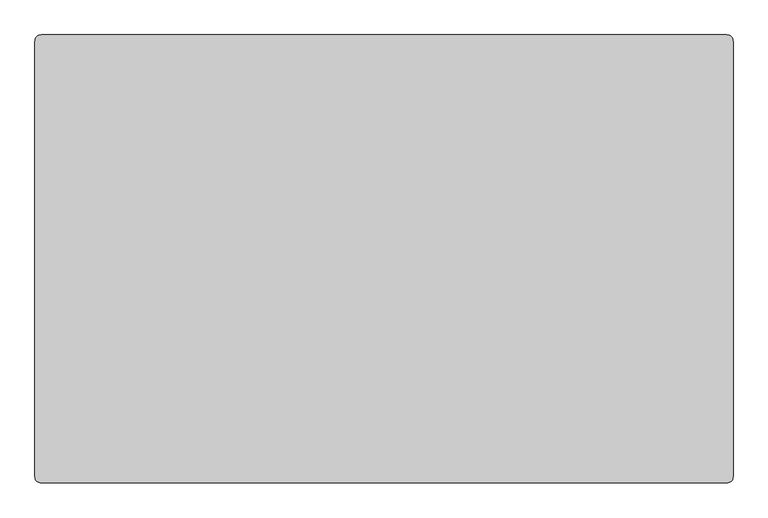
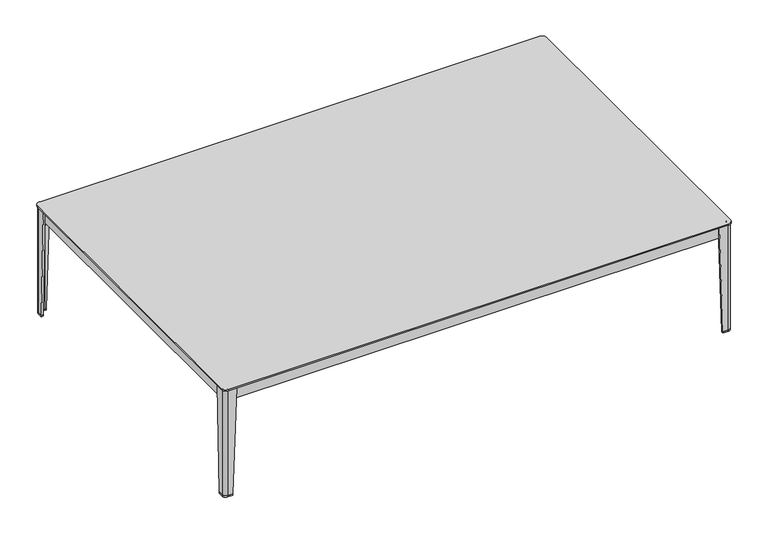
"""IFC4 building model written with IfcOpenShell, lengths in millimetres: furniture geometry."""

from ifc_helpers import new_model, si_unit, point, frame, frame_2d, origin, place, context, project, spatial, polyline, circle_curve, trimmed, segment, composite_curve, outline, extrude, source, transform, mapped, element, save
from ifc_brep_helpers import plane_surface, cylinder_surface, revolved_surface, advanced_brep


def furniture_3eab7202(model_context):
    return source(origin(), model_context, "Body", "SolidModel", [
        advanced_brep(
        [(530.8247115, 123.9800099, 276.4600147), (536.824712, 123.9800099, 276.4600147), (536.824712, 133.0299165, 276.4600147), (519.8747824, 149.9799488, 276.4600147), (510.8247127, 149.9800036, 276.4600147), (510.8247127, 143.9799519, 276.4600147), (520.2181096, 143.9799519, 276.4600147), (530.8247115, 133.3734046, 276.4600147), (530.8247115, 131.8134707, 261.4600037), (530.8247115, 133.3734046, 261.4600037), (520.2181096, 143.9799519, 261.4600037), (518.6582257, 143.9799519, 261.4600037), (518.6582257, 149.9799561, 261.4600037), (519.8747824, 149.9799488, 261.4600037), (536.824712, 133.0299165, 261.4600037), (536.824712, 131.8134707, 261.4600037)],
        [
            (0, 1),
            (1, 2),
            (2, 3, circle_curve(frame((519.8746797, 133.0299165, 276.4600147), z_axis=(0.0, 0.0, 1.0), x_axis=(0.0, 1.0, 0.0)), 16.9500323)),
            (3, 4),
            (4, 5),
            (5, 6),
            (6, 7),
            (7, 0),
            (8, 9),
            (9, 10),
            (10, 11),
            (11, 12),
            (12, 13),
            (13, 14, circle_curve(frame((519.8746797, 133.0299165, 261.4600037), z_axis=(0.0, 0.0, -1.0), x_axis=(0.0, 1.0, 0.0)), 16.9500323)),
            (14, 15),
            (15, 8),
            (15, 1),
            (0, 8),
            (14, 2),
            (13, 3),
            (12, 4),
            (11, 5),
            (10, 6),
            (9, 7),
        ],
        [
            plane_surface(frame((524.6301455, 137.7853996, 276.4600147), z_axis=(0.0, 0.0, 1.0), x_axis=(1.0, 0.0, 0.0))),
            plane_surface(frame((526.5885238, 139.7437589, 261.4600037), z_axis=(0.0, 0.0, -1.0), x_axis=(1.0, 0.0, 0.0))),
            plane_surface(frame((533.8247117, 131.8134707, 261.4600037), z_axis=(0.0, -0.886406217301786, -0.4629082176077014), x_axis=(1.0, 0.0, 0.0))),
            plane_surface(frame((536.824712, 132.4216936, 261.4600037), z_axis=(1.0, 0.0, 0.0), x_axis=(0.0, 1.0, 0.0))),
            cylinder_surface(frame((519.8746797, 133.0299165, 261.4600037), z_axis=(0.0, 0.0, 1.0), x_axis=(0.0, 1.0, 0.0)), 16.9500323),
            plane_surface(frame((519.2665041, 149.9799525, 261.4600037), z_axis=(6.055831591981824e-06, 0.9999999999816636, 0.0), x_axis=(-0.9999999999816636, 6.055831591981824e-06, 0.0))),
            plane_surface(frame((518.6582257, 146.979954, 261.4600037), z_axis=(-0.8864049508100568, 0.0, -0.46291064275885996), x_axis=(0.0, -1.0, 0.0))),
            plane_surface(frame((519.4381677, 143.9799519, 261.4600037), z_axis=(0.0, -1.0, 0.0), x_axis=(1.0, 0.0, 0.0))),
            plane_surface(frame((525.5214105, 138.6766783, 261.4600037), z_axis=(-0.7071049644303243, -0.707108597938103, 0.0), x_axis=(0.707108597938103, -0.7071049644303243, 0.0))),
            plane_surface(frame((530.8247115, 132.5934377, 261.4600037), z_axis=(-1.0, 0.0, 0.0), x_axis=(0.0, -1.0, 0.0))),
        ],
        [
            (0, [[1, 2, 3, 4, 5, 6, 7, 8]]),
            (1, [[9, 10, 11, 12, 13, 14, 15, 16]]),
            (2, [[-16, 17, -1, 18]]),
            (3, [[-15, 19, -2, -17]]),
            (4, [[-14, 20, -3, -19]]),
            (5, [[-13, 21, -4, -20]]),
            (6, [[-12, 22, -5, -21]]),
            (7, [[-11, 23, -6, -22]]),
            (8, [[-10, 24, -7, -23]]),
            (9, [[-9, -18, -8, -24]]),
        ],
    ),
        advanced_brep(
        [(-841.7152878, 123.9800099, 276.4600147), (-841.7152878, 133.3734046, 276.4600147), (-831.1086859, 143.9799519, 276.4600147), (-821.715289, 143.9799519, 276.4600147), (-821.715289, 149.9800036, 276.4600147), (-830.7653587, 149.9799488, 276.4600147), (-847.7152883, 133.0299165, 276.4600147), (-847.7152883, 123.9800099, 276.4600147), (-841.7152878, 131.8134707, 261.4600037), (-847.7152883, 131.8134707, 261.4600037), (-847.7152883, 133.0299165, 261.4600037), (-830.7653587, 149.9799488, 261.4600037), (-829.548802, 149.9799561, 261.4600037), (-829.548802, 143.9799519, 261.4600037), (-831.1086859, 143.9799519, 261.4600037), (-841.7152878, 133.3734046, 261.4600037)],
        [
            (0, 1),
            (1, 2),
            (2, 3),
            (3, 4),
            (4, 5),
            (5, 6, circle_curve(frame((-830.765256, 133.0299165, 276.4600147), z_axis=(0.0, 0.0, 1.0), x_axis=(-0.9999999999816634, -6.055831289175952e-06, 0.0)), 16.9500323)),
            (6, 7),
            (7, 0),
            (8, 9),
            (9, 10),
            (10, 11, circle_curve(frame((-830.765256, 133.0299165, 261.4600037), z_axis=(0.0, 0.0, -1.0), x_axis=(-0.9999999999816634, -6.055831289175952e-06, 0.0)), 16.9500323)),
            (11, 12),
            (12, 13),
            (13, 14),
            (14, 15),
            (15, 8),
            (8, 0),
            (7, 9),
            (6, 10),
            (5, 11),
            (4, 12),
            (3, 13),
            (2, 14),
            (1, 15),
        ],
        [
            plane_surface(frame((-835.5207218, 137.7853996, 276.4600147), z_axis=(0.0, 0.0, 1.0), x_axis=(0.0, 1.0, 0.0))),
            plane_surface(frame((-837.4791001, 139.7437589, 261.4600037), z_axis=(0.0, 0.0, -1.0), x_axis=(0.0, 1.0, 0.0))),
            plane_surface(frame((-844.715288, 131.8134707, 261.4600037), z_axis=(0.0, -0.8864062173018287, -0.4629082176076197), x_axis=(1.0, 0.0, 0.0))),
            plane_surface(frame((-847.7152883, 132.4216936, 261.4600037), z_axis=(-1.0, 0.0, 0.0), x_axis=(0.0, -1.0, 0.0))),
            cylinder_surface(frame((-830.765256, 133.0299165, 261.4600037), z_axis=(0.0, 0.0, 1.0), x_axis=(-0.9999999999816634, -6.055831289175952e-06, 0.0)), 16.9500323),
            plane_surface(frame((-830.1570804, 149.9799525, 261.4600037), z_axis=(-6.055831517198895e-06, 0.9999999999816636, 0.0), x_axis=(-0.9999999999816636, -6.055831517198895e-06, 0.0))),
            plane_surface(frame((-829.548802, 146.979954, 261.4600037), z_axis=(0.8864049508100535, 0.0, -0.46291064275886623), x_axis=(0.0, 1.0, 0.0))),
            plane_surface(frame((-830.328744, 143.9799519, 261.4600037), z_axis=(0.0, -1.0, 0.0), x_axis=(1.0, 0.0, 0.0))),
            plane_surface(frame((-836.4119868, 138.6766783, 261.4600037), z_axis=(0.7071049644302487, -0.7071085979381785, 0.0), x_axis=(0.7071085979381785, 0.7071049644302487, 0.0))),
            plane_surface(frame((-841.7152878, 132.5934377, 261.4600037), z_axis=(1.0, 0.0, 0.0), x_axis=(0.0, 1.0, 0.0))),
        ],
        [
            (0, [[1, 2, 3, 4, 5, 6, 7, 8]]),
            (1, [[9, 10, 11, 12, 13, 14, 15, 16]]),
            (2, [[-9, 17, -8, 18]]),
            (3, [[-10, -18, -7, 19]]),
            (4, [[-11, -19, -6, 20]]),
            (5, [[-12, -20, -5, 21]]),
            (6, [[-13, -21, -4, 22]]),
            (7, [[-14, -22, -3, 23]]),
            (8, [[-15, -23, -2, 24]]),
            (9, [[-16, -24, -1, -17]]),
        ],
    ),
        advanced_brep(
        [(530.8247115, -708.1800099, 276.4600147), (530.8247115, -717.5734046, 276.4600147), (520.2181096, -728.1799519, 276.4600147), (510.8247127, -728.1799519, 276.4600147), (510.8247127, -734.1800036, 276.4600147), (519.8747824, -734.1799488, 276.4600147), (536.824712, -717.2299165, 276.4600147), (536.824712, -708.1800099, 276.4600147), (530.8247115, -716.0134707, 261.4600037), (536.824712, -716.0134707, 261.4600037), (536.824712, -717.2299165, 261.4600037), (519.8747824, -734.1799488, 261.4600037), (518.6582257, -734.1799561, 261.4600037), (518.6582257, -728.1799519, 261.4600037), (520.2181096, -728.1799519, 261.4600037), (530.8247115, -717.5734046, 261.4600037)],
        [
            (0, 1),
            (1, 2),
            (2, 3),
            (3, 4),
            (4, 5),
            (5, 6, circle_curve(frame((519.8746797, -717.2299165, 276.4600147), z_axis=(0.0, 0.0, 1.0), x_axis=(0.9999999999816634, 6.055831301732914e-06, 0.0)), 16.9500323)),
            (6, 7),
            (7, 0),
            (8, 9),
            (9, 10),
            (10, 11, circle_curve(frame((519.8746797, -717.2299165, 261.4600037), z_axis=(0.0, 0.0, -1.0), x_axis=(0.9999999999816634, 6.055831301732914e-06, 0.0)), 16.9500323)),
            (11, 12),
            (12, 13),
            (13, 14),
            (14, 15),
            (15, 8),
            (8, 0),
            (7, 9),
            (6, 10),
            (5, 11),
            (4, 12),
            (3, 13),
            (2, 14),
            (1, 15),
        ],
        [
            plane_surface(frame((524.6301455, -721.9853996, 276.4600147), z_axis=(0.0, 0.0, 1.0), x_axis=(0.0, -1.0, 0.0))),
            plane_surface(frame((526.5885238, -723.9437589, 261.4600037), z_axis=(0.0, 0.0, -1.0), x_axis=(0.0, -1.0, 0.0))),
            plane_surface(frame((533.8247117, -716.0134707, 261.4600037), z_axis=(0.0, 0.8864062173018004, -0.4629082176076739), x_axis=(-1.0, 0.0, 0.0))),
            plane_surface(frame((536.824712, -716.6216936, 261.4600037), z_axis=(1.0, 0.0, 0.0), x_axis=(0.0, 1.0, 0.0))),
            cylinder_surface(frame((519.8746797, -717.2299165, 261.4600037), z_axis=(0.0, 0.0, 1.0), x_axis=(0.9999999999816634, 6.055831301732914e-06, 0.0)), 16.9500323),
            plane_surface(frame((519.2665041, -734.1799525, 261.4600037), z_axis=(6.055831547112211e-06, -0.9999999999816636, 0.0), x_axis=(0.9999999999816636, 6.055831547112211e-06, 0.0))),
            plane_surface(frame((518.6582257, -731.179954, 261.4600037), z_axis=(-0.8864049508100568, 0.0, -0.46291064275885996), x_axis=(0.0, -1.0, 0.0))),
            plane_surface(frame((519.4381677, -728.1799519, 261.4600037), z_axis=(0.0, 1.0, 0.0), x_axis=(-1.0, 0.0, 0.0))),
            plane_surface(frame((525.5214105, -722.8766783, 261.4600037), z_axis=(-0.7071049644302612, 0.7071085979381662, 0.0), x_axis=(-0.7071085979381662, -0.7071049644302612, 0.0))),
            plane_surface(frame((530.8247115, -716.7934377, 261.4600037), z_axis=(-1.0, 0.0, 0.0), x_axis=(0.0, -1.0, 0.0))),
        ],
        [
            (0, [[1, 2, 3, 4, 5, 6, 7, 8]]),
            (1, [[9, 10, 11, 12, 13, 14, 15, 16]]),
            (2, [[-9, 17, -8, 18]]),
            (3, [[-10, -18, -7, 19]]),
            (4, [[-11, -19, -6, 20]]),
            (5, [[-12, -20, -5, 21]]),
            (6, [[-13, -21, -4, 22]]),
            (7, [[-14, -22, -3, 23]]),
            (8, [[-15, -23, -2, 24]]),
            (9, [[-16, -24, -1, -17]]),
        ],
    ),
        advanced_brep(
        [(-841.7152878, -708.1800099, 276.4600147), (-847.7152883, -708.1800099, 276.4600147), (-847.7152883, -717.2299165, 276.4600147), (-830.7653587, -734.1799488, 276.4600147), (-821.715289, -734.1800036, 276.4600147), (-821.715289, -728.1799519, 276.4600147), (-831.1086859, -728.1799519, 276.4600147), (-841.7152878, -717.5734046, 276.4600147), (-841.7152878, -716.0134707, 261.4600037), (-841.7152878, -717.5734046, 261.4600037), (-831.1086859, -728.1799519, 261.4600037), (-829.548802, -728.1799519, 261.4600037), (-829.548802, -734.1799561, 261.4600037), (-830.7653587, -734.1799488, 261.4600037), (-847.7152883, -717.2299165, 261.4600037), (-847.7152883, -716.0134707, 261.4600037)],
        [
            (0, 1),
            (1, 2),
            (2, 3, circle_curve(frame((-830.765256, -717.2299165, 276.4600147), z_axis=(0.0, 0.0, 1.0), x_axis=(0.0, -1.0, 0.0)), 16.9500323)),
            (3, 4),
            (4, 5),
            (5, 6),
            (6, 7),
            (7, 0),
            (8, 9),
            (9, 10),
            (10, 11),
            (11, 12),
            (12, 13),
            (13, 14, circle_curve(frame((-830.765256, -717.2299165, 261.4600037), z_axis=(0.0, 0.0, -1.0), x_axis=(0.0, -1.0, 0.0)), 16.9500323)),
            (14, 15),
            (15, 8),
            (15, 1),
            (0, 8),
            (14, 2),
            (13, 3),
            (12, 4),
            (11, 5),
            (10, 6),
            (9, 7),
        ],
        [
            plane_surface(frame((-835.5207218, -721.9853996, 276.4600147), z_axis=(0.0, 0.0, 1.0), x_axis=(-1.0, 0.0, 0.0))),
            plane_surface(frame((-837.4791001, -723.9437589, 261.4600037), z_axis=(0.0, 0.0, -1.0), x_axis=(-1.0, 0.0, 0.0))),
            plane_surface(frame((-844.715288, -716.0134707, 261.4600037), z_axis=(0.0, 0.8864062173018398, -0.4629082176075985), x_axis=(-1.0, 0.0, 0.0))),
            plane_surface(frame((-847.7152883, -716.6216936, 261.4600037), z_axis=(-1.0, 0.0, 0.0), x_axis=(0.0, -1.0, 0.0))),
            cylinder_surface(frame((-830.765256, -717.2299165, 261.4600037), z_axis=(0.0, 0.0, 1.0), x_axis=(0.0, -1.0, 0.0)), 16.9500323),
            plane_surface(frame((-830.1570804, -734.1799525, 261.4600037), z_axis=(-6.055831547112392e-06, -0.9999999999816634, 0.0), x_axis=(0.9999999999816634, -6.055831547112392e-06, 0.0))),
            plane_surface(frame((-829.548802, -731.179954, 261.4600037), z_axis=(0.8864049508100535, 0.0, -0.46291064275886623), x_axis=(0.0, 1.0, 0.0))),
            plane_surface(frame((-830.328744, -728.1799519, 261.4600037), z_axis=(0.0, 1.0, 0.0), x_axis=(-1.0, 0.0, 0.0))),
            plane_surface(frame((-836.4119868, -722.8766783, 261.4600037), z_axis=(0.7071049644302725, 0.7071085979381548, 0.0), x_axis=(-0.7071085979381548, 0.7071049644302725, 0.0))),
            plane_surface(frame((-841.7152878, -716.7934377, 261.4600037), z_axis=(1.0, 0.0, 0.0), x_axis=(0.0, 1.0, 0.0))),
        ],
        [
            (0, [[1, 2, 3, 4, 5, 6, 7, 8]]),
            (1, [[9, 10, 11, 12, 13, 14, 15, 16]]),
            (2, [[-16, 17, -1, 18]]),
            (3, [[-15, 19, -2, -17]]),
            (4, [[-14, 20, -3, -19]]),
            (5, [[-13, 21, -4, -20]]),
            (6, [[-12, 22, -5, -21]]),
            (7, [[-11, 23, -6, -22]]),
            (8, [[-10, 24, -7, -23]]),
            (9, [[-9, -18, -8, -24]]),
        ],
    ),
        extrude(outline(polyline([(-839.2152882, 131.4800141), (-829.2152877, 141.4800146), (518.3247146, 141.4800146), (528.3246856, 131.4800141), (528.3246856, -715.6799882), (518.3247146, -725.6799592), (-829.2152877, -725.6799592), (-839.2152882, -715.6799882), (-839.2152882, 131.4800141)])), frame((0.0, 0.0, 276.4600147), z_axis=(0.0, 0.0, 1.0), x_axis=(1.0, 0.0, 0.0)), (0.0, 0.0, 1.0), 19.9999965),
        extrude(outline(polyline([(-847.7152883, 123.9800154), (-841.7152878, 123.9800154), (-841.7152878, 133.3734123), (-831.1086859, 143.952954), (-821.715289, 143.952954), (-821.715289, 149.9460764), (510.8247363, 149.9380068), (510.8247363, 143.952954), (520.218131, 143.952954), (530.8246783, 133.3734123), (530.8246783, 123.9800154), (536.824712, 123.9800154), (536.824712, -708.1800099), (530.8246783, -708.1800099), (530.8246783, -717.5734046), (520.218131, -728.1498616), (510.8247363, -728.1498616), (510.8247363, -734.138007), (-821.715289, -734.1460766), (-821.715289, -728.1528919), (-831.1086859, -728.1528919), (-841.7152878, -717.5734046), (-841.7152878, -708.1800099), (-847.7152883, -708.1800099), (-847.7152883, 123.9800154)]), holes=[polyline([(-829.2152877, -725.6498689), (518.3247146, -725.6498689), (528.3246856, -715.6799882), (528.3246856, 131.4800141), (518.3247146, 141.4529544), (-829.2152877, 141.4529544), (-839.2152882, 131.4800141), (-839.2152882, -715.6799882), (-829.2152877, -725.6498689)])]), frame((0.0, 0.0, 276.4600147), z_axis=(0.0, 0.0, 1.0), x_axis=(1.0, 0.0, 0.0)), (0.0, 0.0, 1.0), 34.5000017),
        extrude(outline(composite_curve([segment(polyline([(-828.7152887, 154.9798559), (-828.7152887, 149.9799612), (-830.7653587, 149.9799488)]), True, "CONTINUOUS"), segment(trimmed(circle_curve(frame_2d((-830.765256, 133.0299165)), 16.9500323), [point((-830.7653587, 149.9799488))], [point((-847.7152883, 133.0299165))], True, "CARTESIAN"), True, "CONTINUOUS"), segment(polyline([(-847.7152883, 133.0299165), (-847.7152883, 130.9800187), (-852.7150423, 130.9800187), (-852.7150423, 145.3750328)]), True, "CONTINUOUS"), segment(trimmed(circle_curve(frame_2d((-843.1102193, 145.3750328)), 9.604823), [point((-852.7150423, 145.3750328))], [point((-843.1102193, 154.9798559))], False, "CARTESIAN"), True, "CONTINUOUS"), segment(polyline([(-843.1102193, 154.9798559), (-828.7152887, 154.9798559)]), True, "CONTINUOUS")], self_intersect=False)), frame((0.0, 0.0, 0.5000058), z_axis=(0.0, 0.0, 1.0), x_axis=(1.0, 0.0, 0.0)), (0.0, 0.0, 1.0), 4.0),
        advanced_brep(
        [(-843.1102193, 154.9798559, 311.4600223), (-852.7150423, 145.3750328, 311.4600223), (-852.7150423, 120.979975, 311.4600223), (-847.7152883, 120.979975, 311.4600223), (-847.7152883, 133.0299165, 311.4600223), (-830.7653587, 149.9799488, 311.4600223), (-818.7152881, 149.9800217, 311.4600223), (-818.7152881, 154.9798559, 311.4600223), (-843.1102193, 154.9798559, 4.5000058), (-828.7152887, 154.9798559, 4.5000058), (-828.7152887, 149.9799612, 4.5000058), (-830.7653587, 149.9799488, 4.5000058), (-847.7152883, 133.0299165, 4.5000058), (-847.7152883, 130.9800187, 4.5000058), (-852.7150423, 130.9800187, 4.5000058), (-852.7150423, 145.3750328, 4.5000058)],
        [
            (0, 1, circle_curve(frame((-843.1102193, 145.3750328, 311.4600223), z_axis=(0.0, 0.0, 1.0), x_axis=(-1.0, 0.0, 0.0)), 9.604823)),
            (1, 2),
            (2, 3),
            (3, 4),
            (4, 5, circle_curve(frame((-830.765256, 133.0299165, 311.4600223), z_axis=(0.0, 0.0, -1.0), x_axis=(0.0, 1.0, 0.0)), 16.9500323)),
            (5, 6),
            (6, 7),
            (7, 0),
            (8, 9),
            (9, 10),
            (10, 11),
            (11, 12, circle_curve(frame((-830.765256, 133.0299165, 4.5000058), z_axis=(0.0, 0.0, 1.0), x_axis=(0.0, 1.0, 0.0)), 16.9500323)),
            (12, 13),
            (13, 14),
            (14, 15),
            (15, 8, circle_curve(frame((-843.1102193, 145.3750328, 4.5000058), z_axis=(0.0, 0.0, -1.0), x_axis=(-1.0, 0.0, 0.0)), 9.604823)),
            (10, 6),
            (5, 11),
            (14, 2),
            (1, 15),
            (0, 8),
            (7, 9),
            (13, 3),
            (4, 12),
        ],
        [
            plane_surface(frame((-839.0208519, 141.2855727, 311.4600223), z_axis=(0.0, 0.0, 1.0), x_axis=(0.0, 1.0, 0.0))),
            plane_surface(frame((-841.5208521, 143.785576, 4.5000058), z_axis=(0.0, 0.0, -1.0), x_axis=(0.0, 1.0, 0.0))),
            plane_surface(frame((-829.7403237, 149.979955, 4.5000058), z_axis=(6.055830894691673e-06, -0.9999999999816634, 0.0), x_axis=(0.9999999999816634, 6.055830894691673e-06, 0.0))),
            plane_surface(frame((-852.7150423, 138.1775258, 4.5000058), z_axis=(-1.0, 0.0, 0.0), x_axis=(0.0, -1.0, 0.0))),
            cylinder_surface(frame((-843.1102193, 145.3750328, 4.5000058), z_axis=(0.0, 0.0, 1.0), x_axis=(-1.0, 0.0, 0.0)), 9.604823),
            plane_surface(frame((-835.912754, 154.9798559, 4.5000058), z_axis=(0.0, 1.0, 0.0), x_axis=(-1.0, 0.0, 0.0))),
            plane_surface(frame((-828.7152887, 152.4799085, 4.5000058), z_axis=(0.9994697741300405, 0.0, -0.03256026106231376), x_axis=(0.0, 1.0, 0.0))),
            plane_surface(frame((-850.2151653, 130.9800187, 4.5000058), z_axis=(0.0, -0.9994697695580651, -0.032560401403364754), x_axis=(1.0, 0.0, 0.0))),
            revolved_surface(polyline([(-830.765256, 149.97994880000002, 311.4600223), (-830.765256, 149.97994880000002, 4.5000058)]), (-830.765256, 133.0299165, 4.5000058), (0.0, 0.0, 1.0)),
            plane_surface(frame((-847.7152883, 132.0049676, 4.5000058), z_axis=(1.0, 0.0, 0.0), x_axis=(0.0, 1.0, 0.0))),
        ],
        [
            (0, [[1, 2, 3, 4, 5, 6, 7, 8]]),
            (1, [[9, 10, 11, 12, 13, 14, 15, 16]]),
            (2, [[-11, 17, -6, 18]]),
            (3, [[-15, 19, -2, 20]]),
            (4, [[-16, -20, -1, 21]]),
            (5, [[-9, -21, -8, 22]]),
            (6, [[-10, -22, -7, -17]]),
            (7, [[-14, 23, -3, -19]]),
            (8, [[-12, -18, -5, 24]]),
            (9, [[-13, -24, -4, -23]]),
        ],
    ),
        extrude(outline(composite_curve([segment(polyline([(517.8247124, 154.9798559), (532.219643, 154.9798559)]), True, "CONTINUOUS"), segment(trimmed(circle_curve(frame_2d((532.219643, 145.3750328)), 9.604823), [point((532.219643, 154.9798559))], [point((541.824466, 145.3750328))], False, "CARTESIAN"), True, "CONTINUOUS"), segment(polyline([(541.824466, 145.3750328), (541.824466, 130.9800187), (536.824712, 130.9800187), (536.824712, 133.0299165)]), True, "CONTINUOUS"), segment(trimmed(circle_curve(frame_2d((519.8746797, 133.0299165)), 16.9500323), [point((536.824712, 133.0299165))], [point((519.8747824, 149.9799488))], True, "CARTESIAN"), True, "CONTINUOUS"), segment(polyline([(519.8747824, 149.9799488), (517.8247124, 149.9799612), (517.8247124, 154.9798559)]), True, "CONTINUOUS")], self_intersect=False)), frame((0.0, 0.0, 0.5000058), z_axis=(0.0, 0.0, 1.0), x_axis=(1.0, 0.0, 0.0)), (0.0, 0.0, 1.0), 4.0),
        advanced_brep(
        [(532.219643, 154.9798559, 311.4600223), (507.8247118, 154.9798559, 311.4600223), (507.8247118, 149.9800217, 311.4600223), (519.8747824, 149.9799488, 311.4600223), (536.824712, 133.0299165, 311.4600223), (536.824712, 120.979975, 311.4600223), (541.824466, 120.979975, 311.4600223), (541.824466, 145.3750328, 311.4600223), (532.219643, 154.9798559, 4.5000058), (541.824466, 145.3750328, 4.5000058), (541.824466, 130.9800187, 4.5000058), (536.824712, 130.9800187, 4.5000058), (536.824712, 133.0299165, 4.5000058), (519.8747824, 149.9799488, 4.5000058), (517.8247124, 149.9799612, 4.5000058), (517.8247124, 154.9798559, 4.5000058)],
        [
            (0, 1),
            (1, 2),
            (2, 3),
            (3, 4, circle_curve(frame((519.8746797, 133.0299165, 311.4600223), z_axis=(0.0, 0.0, -1.0), x_axis=(0.9999999999816634, -6.055831369081084e-06, 0.0)), 16.9500323)),
            (4, 5),
            (5, 6),
            (6, 7),
            (7, 0, circle_curve(frame((532.219643, 145.3750328, 311.4600223), z_axis=(0.0, 0.0, 1.0), x_axis=(0.0, 1.0, 0.0)), 9.604823)),
            (8, 9, circle_curve(frame((532.219643, 145.3750328, 4.5000058), z_axis=(0.0, 0.0, -1.0), x_axis=(0.0, 1.0, 0.0)), 9.604823)),
            (9, 10),
            (10, 11),
            (11, 12),
            (12, 13, circle_curve(frame((519.8746797, 133.0299165, 4.5000058), z_axis=(0.0, 0.0, 1.0), x_axis=(0.9999999999816634, -6.055831369081084e-06, 0.0)), 16.9500323)),
            (13, 14),
            (14, 15),
            (15, 8),
            (13, 3),
            (2, 14),
            (9, 7),
            (6, 10),
            (8, 0),
            (15, 1),
            (5, 11),
            (12, 4),
        ],
        [
            plane_surface(frame((528.1302756, 141.2855727, 311.4600223), z_axis=(0.0, 0.0, 1.0), x_axis=(1.0, 0.0, 0.0))),
            plane_surface(frame((530.6302758, 143.785576, 4.5000058), z_axis=(0.0, 0.0, -1.0), x_axis=(1.0, 0.0, 0.0))),
            plane_surface(frame((518.8497474, 149.979955, 4.5000058), z_axis=(-6.055832107868581e-06, -0.9999999999816634, 0.0), x_axis=(0.9999999999816634, -6.055832107868581e-06, 0.0))),
            plane_surface(frame((541.824466, 138.1775258, 4.5000058), z_axis=(1.0, 0.0, 0.0), x_axis=(0.0, 1.0, 0.0))),
            cylinder_surface(frame((532.219643, 145.3750328, 4.5000058), z_axis=(0.0, 0.0, 1.0), x_axis=(0.0, 1.0, 0.0)), 9.604823),
            plane_surface(frame((525.0221777, 154.9798559, 4.5000058), z_axis=(0.0, 1.0, 0.0), x_axis=(-1.0, 0.0, 0.0))),
            plane_surface(frame((517.8247124, 152.4799085, 4.5000058), z_axis=(-0.9994697741300408, 0.0, -0.03256026106230449), x_axis=(0.0, -1.0, 0.0))),
            plane_surface(frame((539.324589, 130.9800187, 4.5000058), z_axis=(0.0, -0.9994697695580574, -0.03256040140360071), x_axis=(1.0, 0.0, 0.0))),
            revolved_surface(polyline([(536.8247119996892, 133.0298138534627, 311.4600223), (536.8247119996892, 133.0298138534627, 4.5000058)]), (519.8746797, 133.0299165, 4.5000058), (0.0, 0.0, 1.0)),
            plane_surface(frame((536.824712, 132.0049676, 4.5000058), z_axis=(-1.0, 0.0, 0.0), x_axis=(0.0, -1.0, 0.0))),
        ],
        [
            (0, [[1, 2, 3, 4, 5, 6, 7, 8]]),
            (1, [[9, 10, 11, 12, 13, 14, 15, 16]]),
            (2, [[-14, 17, -3, 18]]),
            (3, [[-10, 19, -7, 20]]),
            (4, [[-9, 21, -8, -19]]),
            (5, [[-16, 22, -1, -21]]),
            (6, [[-15, -18, -2, -22]]),
            (7, [[-11, -20, -6, 23]]),
            (8, [[-13, 24, -4, -17]]),
            (9, [[-12, -23, -5, -24]]),
        ],
    ),
        extrude(outline(composite_curve([segment(polyline([(517.8247124, -739.1798559), (517.8247124, -734.1799612), (519.8747824, -734.1799488)]), True, "CONTINUOUS"), segment(trimmed(circle_curve(frame_2d((519.8746797, -717.2299165)), 16.9500323), [point((519.8747824, -734.1799488))], [point((536.824712, -717.2299165))], True, "CARTESIAN"), True, "CONTINUOUS"), segment(polyline([(536.824712, -717.2299165), (536.824712, -715.1800187), (541.824466, -715.1800187), (541.824466, -729.5750328)]), True, "CONTINUOUS"), segment(trimmed(circle_curve(frame_2d((532.219643, -729.5750328)), 9.604823), [point((541.824466, -729.5750328))], [point((532.219643, -739.1798559))], False, "CARTESIAN"), True, "CONTINUOUS"), segment(polyline([(532.219643, -739.1798559), (517.8247124, -739.1798559)]), True, "CONTINUOUS")], self_intersect=False)), frame((0.0, 0.0, 0.5000058), z_axis=(0.0, 0.0, 1.0), x_axis=(1.0, 0.0, 0.0)), (0.0, 0.0, 1.0), 4.0),
        advanced_brep(
        [(532.219643, -739.1798559, 311.4600223), (541.824466, -729.5750328, 311.4600223), (541.824466, -705.179975, 311.4600223), (536.824712, -705.179975, 311.4600223), (536.824712, -717.2299165, 311.4600223), (519.8747824, -734.1799488, 311.4600223), (507.8247118, -734.1800217, 311.4600223), (507.8247118, -739.1798559, 311.4600223), (532.219643, -739.1798559, 4.5000058), (517.8247124, -739.1798559, 4.5000058), (517.8247124, -734.1799612, 4.5000058), (519.8747824, -734.1799488, 4.5000058), (536.824712, -717.2299165, 4.5000058), (536.824712, -715.1800187, 4.5000058), (541.824466, -715.1800187, 4.5000058), (541.824466, -729.5750328, 4.5000058)],
        [
            (0, 1, circle_curve(frame((532.219643, -729.5750328, 311.4600223), z_axis=(0.0, 0.0, 1.0), x_axis=(1.0, 0.0, 0.0)), 9.604823)),
            (1, 2),
            (2, 3),
            (3, 4),
            (4, 5, circle_curve(frame((519.8746797, -717.2299165, 311.4600223), z_axis=(0.0, 0.0, -1.0), x_axis=(0.0, -1.0, 0.0)), 16.9500323)),
            (5, 6),
            (6, 7),
            (7, 0),
            (8, 9),
            (9, 10),
            (10, 11),
            (11, 12, circle_curve(frame((519.8746797, -717.2299165, 4.5000058), z_axis=(0.0, 0.0, 1.0), x_axis=(0.0, -1.0, 0.0)), 16.9500323)),
            (12, 13),
            (13, 14),
            (14, 15),
            (15, 8, circle_curve(frame((532.219643, -729.5750328, 4.5000058), z_axis=(0.0, 0.0, -1.0), x_axis=(1.0, 0.0, 0.0)), 9.604823)),
            (10, 6),
            (5, 11),
            (14, 2),
            (1, 15),
            (0, 8),
            (7, 9),
            (13, 3),
            (4, 12),
        ],
        [
            plane_surface(frame((528.1302756, -725.4855727, 311.4600223), z_axis=(0.0, 0.0, 1.0), x_axis=(0.0, -1.0, 0.0))),
            plane_surface(frame((530.6302758, -727.985576, 4.5000058), z_axis=(0.0, 0.0, -1.0), x_axis=(0.0, -1.0, 0.0))),
            plane_surface(frame((518.8497474, -734.179955, 4.5000058), z_axis=(-6.055831360894193e-06, 0.9999999999816636, 0.0), x_axis=(-0.9999999999816636, -6.055831360894193e-06, 0.0))),
            plane_surface(frame((541.824466, -722.3775258, 4.5000058), z_axis=(1.0, 0.0, 0.0), x_axis=(0.0, 1.0, 0.0))),
            cylinder_surface(frame((532.219643, -729.5750328, 4.5000058), z_axis=(0.0, 0.0, 1.0), x_axis=(1.0, 0.0, 0.0)), 9.604823),
            plane_surface(frame((525.0221777, -739.1798559, 4.5000058), z_axis=(0.0, -1.0, 0.0), x_axis=(1.0, 0.0, 0.0))),
            plane_surface(frame((517.8247124, -736.6799085, 4.5000058), z_axis=(-0.9994697741300429, 0.0, -0.03256026106223691), x_axis=(0.0, -1.0, 0.0))),
            plane_surface(frame((539.324589, -715.1800187, 4.5000058), z_axis=(0.0, 0.9994697695580571, -0.03256040140361183), x_axis=(-1.0, 0.0, 0.0))),
            revolved_surface(polyline([(519.8746797, -734.1799487999999, 311.4600223), (519.8746797, -734.1799487999999, 4.5000058)]), (519.8746797, -717.2299165, 4.5000058), (0.0, 0.0, 1.0)),
            plane_surface(frame((536.824712, -716.2049676, 4.5000058), z_axis=(-1.0, 0.0, 0.0), x_axis=(0.0, -1.0, 0.0))),
        ],
        [
            (0, [[1, 2, 3, 4, 5, 6, 7, 8]]),
            (1, [[9, 10, 11, 12, 13, 14, 15, 16]]),
            (2, [[-11, 17, -6, 18]]),
            (3, [[-15, 19, -2, 20]]),
            (4, [[-16, -20, -1, 21]]),
            (5, [[-9, -21, -8, 22]]),
            (6, [[-10, -22, -7, -17]]),
            (7, [[-14, 23, -3, -19]]),
            (8, [[-12, -18, -5, 24]]),
            (9, [[-13, -24, -4, -23]]),
        ],
    ),
        extrude(outline(composite_curve([segment(polyline([(-828.7152887, -739.1798559), (-843.1102193, -739.1798559)]), True, "CONTINUOUS"), segment(trimmed(circle_curve(frame_2d((-843.1102193, -729.5750328)), 9.604823), [point((-843.1102193, -739.1798559))], [point((-852.7150423, -729.5750328))], False, "CARTESIAN"), True, "CONTINUOUS"), segment(polyline([(-852.7150423, -729.5750328), (-852.7150423, -715.1800187), (-847.7152883, -715.1800187), (-847.7152883, -717.2299165)]), True, "CONTINUOUS"), segment(trimmed(circle_curve(frame_2d((-830.765256, -717.2299165)), 16.9500323), [point((-847.7152883, -717.2299165))], [point((-830.7653587, -734.1799488))], True, "CARTESIAN"), True, "CONTINUOUS"), segment(polyline([(-830.7653587, -734.1799488), (-828.7152887, -734.1799612), (-828.7152887, -739.1798559)]), True, "CONTINUOUS")], self_intersect=False)), frame((0.0, 0.0, 0.5000058), z_axis=(0.0, 0.0, 1.0), x_axis=(1.0, 0.0, 0.0)), (0.0, 0.0, 1.0), 4.0),
        advanced_brep(
        [(-843.1102193, -739.1798559, 311.4600223), (-818.7152881, -739.1798559, 311.4600223), (-818.7152881, -734.1800217, 311.4600223), (-830.7653587, -734.1799488, 311.4600223), (-847.7152883, -717.2299165, 311.4600223), (-847.7152883, -705.179975, 311.4600223), (-852.7150423, -705.179975, 311.4600223), (-852.7150423, -729.5750328, 311.4600223), (-843.1102193, -739.1798559, 4.5000058), (-852.7150423, -729.5750328, 4.5000058), (-852.7150423, -715.1800187, 4.5000058), (-847.7152883, -715.1800187, 4.5000058), (-847.7152883, -717.2299165, 4.5000058), (-830.7653587, -734.1799488, 4.5000058), (-828.7152887, -734.1799612, 4.5000058), (-828.7152887, -739.1798559, 4.5000058)],
        [
            (0, 1),
            (1, 2),
            (2, 3),
            (3, 4, circle_curve(frame((-830.765256, -717.2299165, 311.4600223), z_axis=(0.0, 0.0, -1.0), x_axis=(-0.9999999999816634, 6.055828880925937e-06, 0.0)), 16.9500323)),
            (4, 5),
            (5, 6),
            (6, 7),
            (7, 0, circle_curve(frame((-843.1102193, -729.5750328, 311.4600223), z_axis=(0.0, 0.0, 1.0), x_axis=(0.0, -1.0, 0.0)), 9.604823)),
            (8, 9, circle_curve(frame((-843.1102193, -729.5750328, 4.5000058), z_axis=(0.0, 0.0, -1.0), x_axis=(0.0, -1.0, 0.0)), 9.604823)),
            (9, 10),
            (10, 11),
            (11, 12),
            (12, 13, circle_curve(frame((-830.765256, -717.2299165, 4.5000058), z_axis=(0.0, 0.0, 1.0), x_axis=(-0.9999999999816634, 6.055828880925937e-06, 0.0)), 16.9500323)),
            (13, 14),
            (14, 15),
            (15, 8),
            (13, 3),
            (2, 14),
            (9, 7),
            (6, 10),
            (8, 0),
            (15, 1),
            (5, 11),
            (12, 4),
        ],
        [
            plane_surface(frame((-839.0208519, -725.4855727, 311.4600223), z_axis=(0.0, 0.0, 1.0), x_axis=(-1.0, 0.0, 0.0))),
            plane_surface(frame((-841.5208521, -727.985576, 4.5000058), z_axis=(0.0, 0.0, -1.0), x_axis=(-1.0, 0.0, 0.0))),
            plane_surface(frame((-829.7403237, -734.179955, 4.5000058), z_axis=(6.055831360872017e-06, 0.9999999999816636, 0.0), x_axis=(-0.9999999999816636, 6.055831360872017e-06, 0.0))),
            plane_surface(frame((-852.7150423, -722.3775258, 4.5000058), z_axis=(-1.0, 0.0, 0.0), x_axis=(0.0, -1.0, 0.0))),
            cylinder_surface(frame((-843.1102193, -729.5750328, 4.5000058), z_axis=(0.0, 0.0, 1.0), x_axis=(0.0, -1.0, 0.0)), 9.604823),
            plane_surface(frame((-835.912754, -739.1798559, 4.5000058), z_axis=(0.0, -1.0, 0.0), x_axis=(1.0, 0.0, 0.0))),
            plane_surface(frame((-828.7152887, -736.6799085, 4.5000058), z_axis=(0.9994697741300432, 0.0, -0.03256026106222994), x_axis=(0.0, 1.0, 0.0))),
            plane_surface(frame((-850.2151653, -715.1800187, 4.5000058), z_axis=(0.0, 0.9994697695580541, -0.03256040140370149), x_axis=(-1.0, 0.0, 0.0))),
            revolved_surface(polyline([(-847.7152882996892, -717.2298138535048, 311.4600223), (-847.7152882996892, -717.2298138535048, 4.5000058)]), (-830.765256, -717.2299165, 4.5000058), (0.0, 0.0, 1.0)),
            plane_surface(frame((-847.7152883, -716.2049676, 4.5000058), z_axis=(1.0, 0.0, 0.0), x_axis=(0.0, 1.0, 0.0))),
        ],
        [
            (0, [[1, 2, 3, 4, 5, 6, 7, 8]]),
            (1, [[9, 10, 11, 12, 13, 14, 15, 16]]),
            (2, [[-14, 17, -3, 18]]),
            (3, [[-10, 19, -7, 20]]),
            (4, [[-9, 21, -8, -19]]),
            (5, [[-16, 22, -1, -21]]),
            (6, [[-15, -18, -2, -22]]),
            (7, [[-11, -20, -6, 23]]),
            (8, [[-13, 24, -4, -17]]),
            (9, [[-12, -23, -5, -24]]),
        ],
    ),
        extrude(outline(composite_curve([segment(trimmed(circle_curve(frame_2d((531.6247118, 144.78)), 12.7), [point((531.6247118, 157.48))], [point((544.3247118, 144.78))], False, "CARTESIAN"), True, "CONTINUOUS"), segment(polyline([(544.3247118, 144.78), (544.3247118, -728.98)]), True, "CONTINUOUS"), segment(trimmed(circle_curve(frame_2d((531.6247118, -728.98)), 12.7), [point((544.3247118, -728.98))], [point((531.6247118, -741.68))], False, "CARTESIAN"), True, "CONTINUOUS"), segment(polyline([(531.6247118, -741.68), (-842.5152882, -741.68)]), True, "CONTINUOUS"), segment(trimmed(circle_curve(frame_2d((-842.5152882, -728.98)), 12.7), [point((-842.5152882, -741.68))], [point((-855.2152882, -728.98))], False, "CARTESIAN"), True, "CONTINUOUS"), segment(polyline([(-855.2152882, -728.98), (-855.2152882, 144.78)]), True, "CONTINUOUS"), segment(trimmed(circle_curve(frame_2d((-842.5152882, 144.78)), 12.7), [point((-855.2152882, 144.78))], [point((-842.5152882, 157.48))], False, "CARTESIAN"), True, "CONTINUOUS"), segment(polyline([(-842.5152882, 157.48), (531.6247118, 157.48)]), True, "CONTINUOUS")], self_intersect=False)), frame((0.0, 0.0, 310.9600164), z_axis=(0.0, 0.0, 1.0), x_axis=(1.0, 0.0, 0.0)), (0.0, 0.0, 1.0), 3.9999836),
    ])


if __name__ == "__main__":
    model = new_model("IFC4")
    model_context = context("Model", 3, world=origin())
    ifc_project = project(units=[si_unit("LENGTHUNIT", "METRE", prefix="MILLI")], contexts=[model_context])
    site = spatial("IfcSite", under=ifc_project)
    building = spatial("IfcBuilding", under=site)
    placement = place(None, origin())
    furniture_shape = furniture_3eab7202(model_context)
    element("IfcFurniture", 1, at=placement, inside=building, context=model_context, shape_type="MappedRepresentation", body=[
        mapped(furniture_shape, transform((0.0, 0.0, 0.0), x_axis=(1.0, 0.0, 0.0), y_axis=(0.0, 1.0, 0.0), z_axis=(0.0, 0.0, 1.0))),
    ])
    save(model, "model.ifc")
